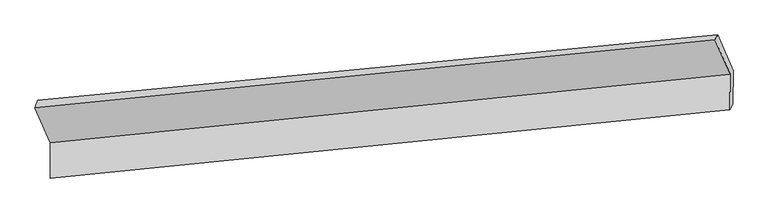
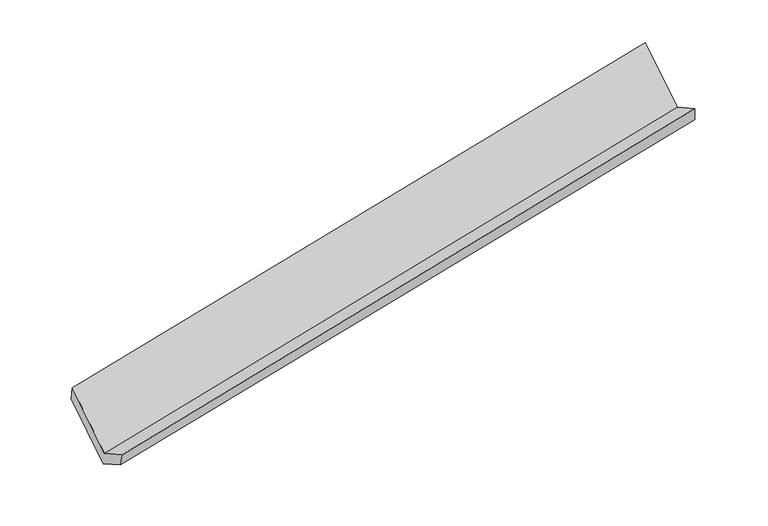
"""IFC4 building model written with IfcOpenShell, lengths in millimetres: proxy geometry."""

from ifc_helpers import new_model, si_unit, frame, origin, place, context, project, spatial, source, transform, mapped, element, save
from ifc_brep_helpers import plane_surface, spline_surface, advanced_brep


def generic_models_bea5bb49(model_context):
    return source(origin(), model_context, "Body", "AdvancedBrep", [
        advanced_brep(
        [(-6164.0144573, -1523.6507227, 1723.2791666), (-6018.1382128, -1854.6607511, 1143.2733669), (368.2912957, -1211.7983487, 2366.3026958), (224.5491177, -885.6307634, 2937.8234201), (-6020.5811018, -2185.8932979, 1331.6937849), (365.8484067, -1543.0308955, 2554.7231138), (-5995.7073078, -2104.2167974, 1159.5040044), (392.6639549, -1492.272553, 2388.8813326), (-5993.4064472, -1792.2419567, 982.0382619), (394.9648155, -1180.2977124, 2211.41559), (-6137.5362443, -1453.446828, 1548.8661833), (250.8350184, -841.5025836, 2778.2435115)],
        [
            (0, 1),
            (1, 2),
            (2, 3),
            (3, 0),
            (1, 4),
            (4, 5),
            (5, 2),
            (4, 6),
            (6, 7),
            (7, 5),
            (6, 8),
            (8, 9),
            (9, 7),
            (8, 10),
            (10, 11),
            (11, 9),
            (10, 0),
            (3, 11),
        ],
        [
            plane_surface(frame((-6091.076335, -1689.1557369, 1433.2762668), z_axis=(-0.007157970953176607, -0.8692668236400967, 0.49429136424834597), x_axis=(0.2134066488658149, -0.484244306835761, -0.8485075447613982))),
            plane_surface(frame((-6019.3596573, -2020.2770245, 1237.4835759), z_axis=(-0.2113347547197887, 0.48445541111946283, 0.8489055165827344), x_axis=(-0.006410408411947306, -0.8691904986640524, 0.4944358236375355))),
            spline_surface(1, 1, [[(-6020.5811018, -2185.8932979, 1331.6937849), (365.8484067, -1543.0308955, 2554.7231138)], [(-5995.7073078, -2104.2167974, 1159.5040044), (392.6639549, -1492.272553, 2388.8813326)]], [2, 2], [2, 2], [0.0, 1.0], [0.0, 1.0]),
            plane_surface(frame((-5994.5568775, -1948.229377, 1070.7711331), z_axis=(0.20983870215615158, -0.4846064296922631, -0.8491903952461661), x_axis=(0.006410408411947434, 0.8691904986640787, -0.4944358236374891))),
            plane_surface(frame((-6065.4713457, -1622.8443924, 1265.4522226), z_axis=(0.0157679675871142, 0.8600151475793139, -0.5100248201139852), x_axis=(-0.21323929172735692, 0.5012456463938405, 0.8386189876426817))),
            spline_surface(1, 1, [[(-6137.5362443, -1453.446828, 1548.8661833), (250.8350184, -841.5025836, 2778.2435115)], [(-6164.0144573, -1523.6507227, 1723.2791666), (224.5491177, -885.6307634, 2937.8234201)]], [2, 2], [2, 2], [0.0, 1.0], [0.0, 1.0]),
            plane_surface(frame((332.8587681, -1192.4221427, 2539.564944), z_axis=(0.9769424286434971, 0.1000766122991673, 0.188595235323875), x_axis=(-0.21323929172735692, 0.5012456463938405, 0.8386189876426817))),
            plane_surface(frame((-6054.8972952, -1819.0183923, 1314.7757947), z_axis=(-0.9769424286434959, -0.10007661229907663, -0.1885952353239301), x_axis=(0.13945645411841737, 0.3697525293617709, -0.9186049011600639))),
        ],
        [
            (0, [[1, 2, 3, 4]]),
            (1, [[5, 6, 7, -2]]),
            (2, [[8, 9, 10, -6]]),
            (3, [[11, 12, 13, -9]]),
            (4, [[14, 15, 16, -12]]),
            (5, [[17, -4, 18, -15]]),
            (6, [[-16, -18, -3, -7, -10, -13]]),
            (7, [[-17, -14, -11, -8, -5, -1]]),
        ],
    ),
    ])


if __name__ == "__main__":
    model = new_model("IFC4")
    model_context = context("Model", 3, world=origin())
    ifc_project = project(units=[si_unit("LENGTHUNIT", "METRE", prefix="MILLI")], contexts=[model_context])
    site = spatial("IfcSite", under=ifc_project)
    building = spatial("IfcBuilding", under=site)
    placement = place(None, origin())
    generic_models_shape = generic_models_bea5bb49(model_context)
    element("IfcBuildingElementProxy", 1, Name="Generic Models", at=placement, inside=building, context=model_context, shape_type="MappedRepresentation", body=[
        mapped(generic_models_shape, transform((0.0, 0.0, 0.0), x_axis=(1.0, 0.0, 0.0), y_axis=(0.0, 1.0, 0.0), z_axis=(0.0, 0.0, 1.0))),
    ])
    save(model, "model.ifc")
